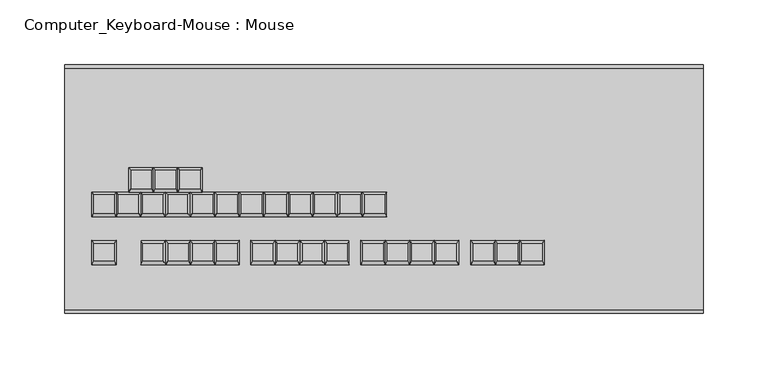
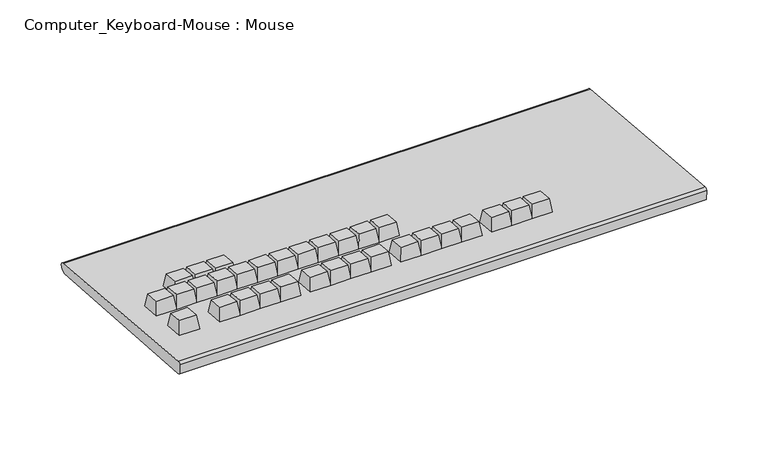
"""IFC4 building model written with IfcOpenShell, lengths in millimetres: proxy geometry, Computer_Keyboard-Mouse : Mouse."""

from ifc_helpers import new_model, si_unit, point, frame, frame_2d, origin, place, context, project, spatial, polyline, circle_curve, trimmed, segment, composite_curve, outline, extrude, faceted_brep, source, transform, mapped, element, save


def computer_keyboard_mouse_mouse_74f53c84(model_context):
    return source(origin(), model_context, "Body", "SolidModel", [
        faceted_brep([(-256.7088941, 228.0568317, 652.48225), (-256.7088941, 242.2899634, 651.2370124), (-272.5838941, 242.2899634, 651.2370124), (-272.5838941, 228.0568317, 652.48225), (-255.1213941, 225.3684947, 639.9689371), (-274.1713941, 225.3684947, 639.9689371), (-274.1713941, 244.3460037, 638.3086202), (-255.1213941, 244.3460037, 638.3086202)], [[[0, 1, 2, 3]], [[4, 5, 6, 7]], [[4, 0, 3, 5]], [[5, 3, 2, 6]], [[6, 2, 1, 7]], [[7, 1, 0, 4]]]),
        faceted_brep([(-275.7588941, 228.0568317, 652.48225), (-275.7588941, 242.2899634, 651.2370124), (-291.6338941, 242.2899634, 651.2370124), (-291.6338941, 228.0568317, 652.48225), (-274.1713941, 225.3684947, 639.9689371), (-293.2213941, 225.3684947, 639.9689371), (-293.2213941, 244.3460037, 638.3086202), (-274.1713941, 244.3460037, 638.3086202)], [[[0, 1, 2, 3]], [[4, 5, 6, 7]], [[4, 0, 3, 5]], [[5, 3, 2, 6]], [[6, 2, 1, 7]], [[7, 1, 0, 4]]]),
        faceted_brep([(-294.8088941, 228.0568317, 652.48225), (-294.8088941, 242.2899634, 651.2370124), (-310.6838941, 242.2899634, 651.2370124), (-310.6838941, 228.0568317, 652.48225), (-293.2213941, 225.3684947, 639.9689371), (-312.2713941, 225.3684947, 639.9689371), (-312.2713941, 244.3460037, 638.3086202), (-293.2213941, 244.3460037, 638.3086202)], [[[0, 1, 2, 3]], [[4, 5, 6, 7]], [[4, 0, 3, 5]], [[5, 3, 2, 6]], [[6, 2, 1, 7]], [[7, 1, 0, 4]]]),
        faceted_brep([(-113.8338941, 209.0793227, 654.1425669), (-113.8338941, 223.3124544, 652.8973293), (-129.7088941, 223.3124544, 652.8973293), (-129.7088941, 209.0793227, 654.1425669), (-112.2463941, 206.3909857, 641.629254), (-131.2963941, 206.3909857, 641.629254), (-131.2963941, 225.3684947, 639.9689371), (-112.2463941, 225.3684947, 639.9689371)], [[[0, 1, 2, 3]], [[4, 5, 6, 7]], [[4, 0, 3, 5]], [[5, 3, 2, 6]], [[6, 2, 1, 7]], [[7, 1, 0, 4]]]),
        faceted_brep([(-132.8838941, 209.0793227, 654.1425669), (-132.8838941, 223.3124544, 652.8973293), (-148.7588941, 223.3124544, 652.8973293), (-148.7588941, 209.0793227, 654.1425669), (-131.2963941, 206.3909857, 641.629254), (-150.3463941, 206.3909857, 641.629254), (-150.3463941, 225.3684947, 639.9689371), (-131.2963941, 225.3684947, 639.9689371)], [[[0, 1, 2, 3]], [[4, 5, 6, 7]], [[4, 0, 3, 5]], [[5, 3, 2, 6]], [[6, 2, 1, 7]], [[7, 1, 0, 4]]]),
        faceted_brep([(-151.9338941, 209.0793227, 654.1425669), (-151.9338941, 223.3124544, 652.8973293), (-167.8088941, 223.3124544, 652.8973293), (-167.8088941, 209.0793227, 654.1425669), (-150.3463941, 206.3909857, 641.629254), (-169.3963941, 206.3909857, 641.629254), (-169.3963941, 225.3684947, 639.9689371), (-150.3463941, 225.3684947, 639.9689371)], [[[0, 1, 2, 3]], [[4, 5, 6, 7]], [[4, 0, 3, 5]], [[5, 3, 2, 6]], [[6, 2, 1, 7]], [[7, 1, 0, 4]]]),
        faceted_brep([(-170.9838941, 209.0793227, 654.1425669), (-170.9838941, 223.3124544, 652.8973293), (-186.8588941, 223.3124544, 652.8973293), (-186.8588941, 209.0793227, 654.1425669), (-169.3963941, 206.3909857, 641.629254), (-188.4463941, 206.3909857, 641.629254), (-188.4463941, 225.3684947, 639.9689371), (-169.3963941, 225.3684947, 639.9689371)], [[[0, 1, 2, 3]], [[4, 5, 6, 7]], [[4, 0, 3, 5]], [[5, 3, 2, 6]], [[6, 2, 1, 7]], [[7, 1, 0, 4]]]),
        faceted_brep([(-190.0338941, 209.0793227, 654.1425669), (-190.0338941, 223.3124544, 652.8973293), (-205.9088941, 223.3124544, 652.8973293), (-205.9088941, 209.0793227, 654.1425669), (-188.4463941, 206.3909857, 641.629254), (-207.4963941, 206.3909857, 641.629254), (-207.4963941, 225.3684947, 639.9689371), (-188.4463941, 225.3684947, 639.9689371)], [[[0, 1, 2, 3]], [[4, 5, 6, 7]], [[4, 0, 3, 5]], [[5, 3, 2, 6]], [[6, 2, 1, 7]], [[7, 1, 0, 4]]]),
        faceted_brep([(-209.0838941, 209.0793227, 654.1425669), (-209.0838941, 223.3124544, 652.8973293), (-224.9588941, 223.3124544, 652.8973293), (-224.9588941, 209.0793227, 654.1425669), (-207.4963941, 206.3909857, 641.629254), (-226.5463941, 206.3909857, 641.629254), (-226.5463941, 225.3684947, 639.9689371), (-207.4963941, 225.3684947, 639.9689371)], [[[0, 1, 2, 3]], [[4, 5, 6, 7]], [[4, 0, 3, 5]], [[5, 3, 2, 6]], [[6, 2, 1, 7]], [[7, 1, 0, 4]]]),
        faceted_brep([(-228.1338941, 209.0793227, 654.1425669), (-228.1338941, 223.3124544, 652.8973293), (-244.0088941, 223.3124544, 652.8973293), (-244.0088941, 209.0793227, 654.1425669), (-226.5463941, 206.3909857, 641.629254), (-245.5963941, 206.3909857, 641.629254), (-245.5963941, 225.3684947, 639.9689371), (-226.5463941, 225.3684947, 639.9689371)], [[[0, 1, 2, 3]], [[4, 5, 6, 7]], [[4, 0, 3, 5]], [[5, 3, 2, 6]], [[6, 2, 1, 7]], [[7, 1, 0, 4]]]),
        faceted_brep([(-247.1838941, 209.0793227, 654.1425669), (-247.1838941, 223.3124544, 652.8973293), (-263.0588941, 223.3124544, 652.8973293), (-263.0588941, 209.0793227, 654.1425669), (-245.5963941, 206.3909857, 641.629254), (-264.6463941, 206.3909857, 641.629254), (-264.6463941, 225.3684947, 639.9689371), (-245.5963941, 225.3684947, 639.9689371)], [[[0, 1, 2, 3]], [[4, 5, 6, 7]], [[4, 0, 3, 5]], [[5, 3, 2, 6]], [[6, 2, 1, 7]], [[7, 1, 0, 4]]]),
        faceted_brep([(-266.2338941, 209.0793227, 654.1425669), (-266.2338941, 223.3124544, 652.8973293), (-282.1088941, 223.3124544, 652.8973293), (-282.1088941, 209.0793227, 654.1425669), (-264.6463941, 206.3909857, 641.629254), (-283.6963941, 206.3909857, 641.629254), (-283.6963941, 225.3684947, 639.9689371), (-264.6463941, 225.3684947, 639.9689371)], [[[0, 1, 2, 3]], [[4, 5, 6, 7]], [[4, 0, 3, 5]], [[5, 3, 2, 6]], [[6, 2, 1, 7]], [[7, 1, 0, 4]]]),
        faceted_brep([(-285.2838941, 209.0793227, 654.1425669), (-285.2838941, 223.3124544, 652.8973293), (-301.1588941, 223.3124544, 652.8973293), (-301.1588941, 209.0793227, 654.1425669), (-283.6963941, 206.3909857, 641.629254), (-302.7463941, 206.3909857, 641.629254), (-302.7463941, 225.3684947, 639.9689371), (-283.6963941, 225.3684947, 639.9689371)], [[[0, 1, 2, 3]], [[4, 5, 6, 7]], [[4, 0, 3, 5]], [[5, 3, 2, 6]], [[6, 2, 1, 7]], [[7, 1, 0, 4]]]),
        faceted_brep([(-304.3338941, 209.0793227, 654.1425669), (-304.3338941, 223.3124544, 652.8973293), (-320.2088941, 223.3124544, 652.8973293), (-320.2088941, 209.0793227, 654.1425669), (-302.7463941, 206.3909857, 641.629254), (-321.7963941, 206.3909857, 641.629254), (-321.7963941, 225.3684947, 639.9689371), (-302.7463941, 225.3684947, 639.9689371)], [[[0, 1, 2, 3]], [[4, 5, 6, 7]], [[4, 0, 3, 5]], [[5, 3, 2, 6]], [[6, 2, 1, 7]], [[7, 1, 0, 4]]]),
        faceted_brep([(-323.3838941, 209.0793227, 654.1425669), (-323.3838941, 223.3124544, 652.8973293), (-339.2588941, 223.3124544, 652.8973293), (-339.2588941, 209.0793227, 654.1425669), (-321.7963941, 206.3909857, 641.629254), (-340.8463941, 206.3909857, 641.629254), (-340.8463941, 225.3684947, 639.9689371), (-321.7963941, 225.3684947, 639.9689371)], [[[0, 1, 2, 3]], [[4, 5, 6, 7]], [[4, 0, 3, 5]], [[5, 3, 2, 6]], [[6, 2, 1, 7]], [[7, 1, 0, 4]]]),
        faceted_brep([(8.363719, 171.7828699, 657.4055837), (8.363719, 186.0160017, 656.1603461), (-7.511281, 186.0160017, 656.1603461), (-7.511281, 171.7828699, 657.4055837), (9.951219, 169.0945329, 644.8922708), (-9.098781, 169.0945329, 644.8922708), (-9.098781, 188.0720419, 643.2319539), (9.951219, 188.0720419, 643.2319539)], [[[0, 1, 2, 3]], [[4, 5, 6, 7]], [[4, 0, 3, 5]], [[5, 3, 2, 6]], [[6, 2, 1, 7]], [[7, 1, 0, 4]]]),
        faceted_brep([(-10.686281, 171.7828699, 657.4055837), (-10.686281, 186.0160017, 656.1603461), (-26.561281, 186.0160017, 656.1603461), (-26.561281, 171.7828699, 657.4055837), (-9.098781, 169.0945329, 644.8922708), (-28.148781, 169.0945329, 644.8922708), (-28.148781, 188.0720419, 643.2319539), (-9.098781, 188.0720419, 643.2319539)], [[[0, 1, 2, 3]], [[4, 5, 6, 7]], [[4, 0, 3, 5]], [[5, 3, 2, 6]], [[6, 2, 1, 7]], [[7, 1, 0, 4]]]),
        faceted_brep([(-29.736281, 171.7828699, 657.4055837), (-29.736281, 186.0160017, 656.1603461), (-45.611281, 186.0160017, 656.1603461), (-45.611281, 171.7828699, 657.4055837), (-28.148781, 169.0945329, 644.8922708), (-47.198781, 169.0945329, 644.8922708), (-47.198781, 188.0720419, 643.2319539), (-28.148781, 188.0720419, 643.2319539)], [[[0, 1, 2, 3]], [[4, 5, 6, 7]], [[4, 0, 3, 5]], [[5, 3, 2, 6]], [[6, 2, 1, 7]], [[7, 1, 0, 4]]]),
        faceted_brep([(-57.7576686, 171.7828699, 657.4055837), (-57.7576686, 186.0160017, 656.1603461), (-73.6326686, 186.0160017, 656.1603461), (-73.6326686, 171.7828699, 657.4055837), (-56.1701686, 169.0945329, 644.8922708), (-75.2201686, 169.0945329, 644.8922708), (-75.2201686, 188.0720419, 643.2319539), (-56.1701686, 188.0720419, 643.2319539)], [[[0, 1, 2, 3]], [[4, 5, 6, 7]], [[4, 0, 3, 5]], [[5, 3, 2, 6]], [[6, 2, 1, 7]], [[7, 1, 0, 4]]]),
        faceted_brep([(-76.8076686, 171.7828699, 657.4055837), (-76.8076686, 186.0160017, 656.1603461), (-92.6826686, 186.0160017, 656.1603461), (-92.6826686, 171.7828699, 657.4055837), (-75.2201686, 169.0945329, 644.8922708), (-94.2701686, 169.0945329, 644.8922708), (-94.2701686, 188.0720419, 643.2319539), (-75.2201686, 188.0720419, 643.2319539)], [[[0, 1, 2, 3]], [[4, 5, 6, 7]], [[4, 0, 3, 5]], [[5, 3, 2, 6]], [[6, 2, 1, 7]], [[7, 1, 0, 4]]]),
        faceted_brep([(-95.8576686, 171.7828699, 657.4055837), (-95.8576686, 186.0160017, 656.1603461), (-111.7326686, 186.0160017, 656.1603461), (-111.7326686, 171.7828699, 657.4055837), (-94.2701686, 169.0945329, 644.8922708), (-113.3201686, 169.0945329, 644.8922708), (-113.3201686, 188.0720419, 643.2319539), (-94.2701686, 188.0720419, 643.2319539)], [[[0, 1, 2, 3]], [[4, 5, 6, 7]], [[4, 0, 3, 5]], [[5, 3, 2, 6]], [[6, 2, 1, 7]], [[7, 1, 0, 4]]]),
        faceted_brep([(-114.9076686, 171.7828699, 657.4055837), (-114.9076686, 186.0160017, 656.1603461), (-130.7826686, 186.0160017, 656.1603461), (-130.7826686, 171.7828699, 657.4055837), (-113.3201686, 169.0945329, 644.8922708), (-132.3701686, 169.0945329, 644.8922708), (-132.3701686, 188.0720419, 643.2319539), (-113.3201686, 188.0720419, 643.2319539)], [[[0, 1, 2, 3]], [[4, 5, 6, 7]], [[4, 0, 3, 5]], [[5, 3, 2, 6]], [[6, 2, 1, 7]], [[7, 1, 0, 4]]]),
        faceted_brep([(-142.9290561, 171.7828699, 657.4055837), (-142.9290561, 186.0160017, 656.1603461), (-158.8040561, 186.0160017, 656.1603461), (-158.8040561, 171.7828699, 657.4055837), (-141.3415561, 169.0945329, 644.8922708), (-160.3915561, 169.0945329, 644.8922708), (-160.3915561, 188.0720419, 643.2319539), (-141.3415561, 188.0720419, 643.2319539)], [[[0, 1, 2, 3]], [[4, 5, 6, 7]], [[4, 0, 3, 5]], [[5, 3, 2, 6]], [[6, 2, 1, 7]], [[7, 1, 0, 4]]]),
        faceted_brep([(-161.9790561, 171.7828699, 657.4055837), (-161.9790561, 186.0160017, 656.1603461), (-177.8540561, 186.0160017, 656.1603461), (-177.8540561, 171.7828699, 657.4055837), (-160.3915561, 169.0945329, 644.8922708), (-179.4415561, 169.0945329, 644.8922708), (-179.4415561, 188.0720419, 643.2319539), (-160.3915561, 188.0720419, 643.2319539)], [[[0, 1, 2, 3]], [[4, 5, 6, 7]], [[4, 0, 3, 5]], [[5, 3, 2, 6]], [[6, 2, 1, 7]], [[7, 1, 0, 4]]]),
        faceted_brep([(-181.0290561, 171.7828699, 657.4055837), (-181.0290561, 186.0160017, 656.1603461), (-196.9040561, 186.0160017, 656.1603461), (-196.9040561, 171.7828699, 657.4055837), (-179.4415561, 169.0945329, 644.8922708), (-198.4915561, 169.0945329, 644.8922708), (-198.4915561, 188.0720419, 643.2319539), (-179.4415561, 188.0720419, 643.2319539)], [[[0, 1, 2, 3]], [[4, 5, 6, 7]], [[4, 0, 3, 5]], [[5, 3, 2, 6]], [[6, 2, 1, 7]], [[7, 1, 0, 4]]]),
        faceted_brep([(-200.0790561, 171.7828699, 657.4055837), (-200.0790561, 186.0160017, 656.1603461), (-215.9540561, 186.0160017, 656.1603461), (-215.9540561, 171.7828699, 657.4055837), (-198.4915561, 169.0945329, 644.8922708), (-217.5415561, 169.0945329, 644.8922708), (-217.5415561, 188.0720419, 643.2319539), (-198.4915561, 188.0720419, 643.2319539)], [[[0, 1, 2, 3]], [[4, 5, 6, 7]], [[4, 0, 3, 5]], [[5, 3, 2, 6]], [[6, 2, 1, 7]], [[7, 1, 0, 4]]]),
        faceted_brep([(-228.1004437, 171.7828699, 657.4055837), (-228.1004437, 186.0160017, 656.1603461), (-243.9754437, 186.0160017, 656.1603461), (-243.9754437, 171.7828699, 657.4055837), (-226.5129437, 169.0945329, 644.8922708), (-245.5629437, 169.0945329, 644.8922708), (-245.5629437, 188.0720419, 643.2319539), (-226.5129437, 188.0720419, 643.2319539)], [[[0, 1, 2, 3]], [[4, 5, 6, 7]], [[4, 0, 3, 5]], [[5, 3, 2, 6]], [[6, 2, 1, 7]], [[7, 1, 0, 4]]]),
        faceted_brep([(-247.1504437, 171.7828699, 657.4055837), (-247.1504437, 186.0160017, 656.1603461), (-263.0254437, 186.0160017, 656.1603461), (-263.0254437, 171.7828699, 657.4055837), (-245.5629437, 169.0945329, 644.8922708), (-264.6129437, 169.0945329, 644.8922708), (-264.6129437, 188.0720419, 643.2319539), (-245.5629437, 188.0720419, 643.2319539)], [[[0, 1, 2, 3]], [[4, 5, 6, 7]], [[4, 0, 3, 5]], [[5, 3, 2, 6]], [[6, 2, 1, 7]], [[7, 1, 0, 4]]]),
        faceted_brep([(-266.2004437, 171.7828699, 657.4055837), (-266.2004437, 186.0160017, 656.1603461), (-282.0754437, 186.0160017, 656.1603461), (-282.0754437, 171.7828699, 657.4055837), (-264.6129437, 169.0945329, 644.8922708), (-283.6629437, 169.0945329, 644.8922708), (-283.6629437, 188.0720419, 643.2319539), (-264.6129437, 188.0720419, 643.2319539)], [[[0, 1, 2, 3]], [[4, 5, 6, 7]], [[4, 0, 3, 5]], [[5, 3, 2, 6]], [[6, 2, 1, 7]], [[7, 1, 0, 4]]]),
        faceted_brep([(-285.2504437, 171.7828699, 657.4055837), (-285.2504437, 186.0160017, 656.1603461), (-301.1254437, 186.0160017, 656.1603461), (-301.1254437, 171.7828699, 657.4055837), (-283.6629437, 169.0945329, 644.8922708), (-302.7129437, 169.0945329, 644.8922708), (-302.7129437, 188.0720419, 643.2319539), (-283.6629437, 188.0720419, 643.2319539)], [[[0, 1, 2, 3]], [[4, 5, 6, 7]], [[4, 0, 3, 5]], [[5, 3, 2, 6]], [[6, 2, 1, 7]], [[7, 1, 0, 4]]]),
        faceted_brep([(-323.3504437, 171.7828699, 657.4055837), (-323.3504437, 186.0160017, 656.1603461), (-339.2254437, 186.0160017, 656.1603461), (-339.2254437, 171.7828699, 657.4055837), (-321.7629437, 169.0945329, 644.8922708), (-340.8129437, 169.0945329, 644.8922708), (-340.8129437, 188.0720419, 643.2319539), (-321.7629437, 188.0720419, 643.2319539)], [[[0, 1, 2, 3]], [[4, 5, 6, 7]], [[4, 0, 3, 5]], [[5, 3, 2, 6]], [[6, 2, 1, 7]], [[7, 1, 0, 4]]]),
        extrude(outline(composite_curve([segment(trimmed(circle_curve(frame_2d((321.3848268, 628.5254602)), 3.0431363), [point((321.3848268, 631.5685965))], [point((324.4279632, 628.5254602))], False, "CARTESIAN"), True, "CONTINUOUS"), segment(polyline([(324.4279632, 628.5254602), (323.3070158, 624.3420275), (321.8742848, 624.3420275), (319.8322573, 622.3), (136.1308374, 635.1456546)]), True, "CONTINUOUS"), segment(trimmed(circle_curve(frame_2d((136.670759, 642.8668925)), 7.7400923), [point((136.1308374, 635.1456546))], [point((132.1212468, 636.6050263))], False, "CARTESIAN"), True, "CONTINUOUS"), segment(polyline([(132.1212468, 636.6050263), (131.7187189, 645.7073629)]), True, "CONTINUOUS"), segment(trimmed(circle_curve(frame_2d((133.9760922, 645.7073629)), 2.2573734), [point((131.7187189, 645.7073629))], [point((133.9760922, 647.9647362))], False, "CARTESIAN"), True, "CONTINUOUS"), segment(polyline([(133.9760922, 647.9647362), (321.3848268, 631.5685965)]), True, "CONTINUOUS")], self_intersect=False)), frame((-361.95, 0.0, 0.0), z_axis=(1.0, 0.0, 0.0), x_axis=(0.0, 1.0, 0.0)), (0.0, 0.0, 1.0), 495.3),
    ])


if __name__ == "__main__":
    model = new_model("IFC4")
    model_context = context("Model", 3, world=origin())
    ifc_project = project(units=[si_unit("LENGTHUNIT", "METRE", prefix="MILLI")], contexts=[model_context])
    site = spatial("IfcSite", under=ifc_project)
    building = spatial("IfcBuilding", under=site)
    placement = place(None, origin())
    computer_keyboard_mouse_mouse_shape = computer_keyboard_mouse_mouse_74f53c84(model_context)
    element("IfcBuildingElementProxy", 1, Name="Computer_Keyboard-Mouse : Mouse", ObjectType="Computer_Keyboard-Mouse : Mouse", at=placement, inside=building, context=model_context, shape_type="MappedRepresentation", body=[
        mapped(computer_keyboard_mouse_mouse_shape, transform((0.0, 0.0, 0.0), x_axis=(1.0, 0.0, 0.0), y_axis=(0.0, 1.0, 0.0), z_axis=(0.0, 0.0, 1.0))),
    ])
    save(model, "model.ifc")
